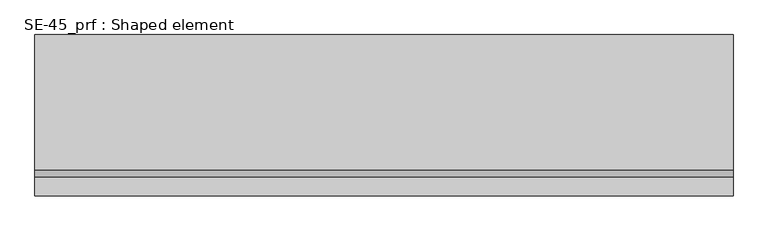
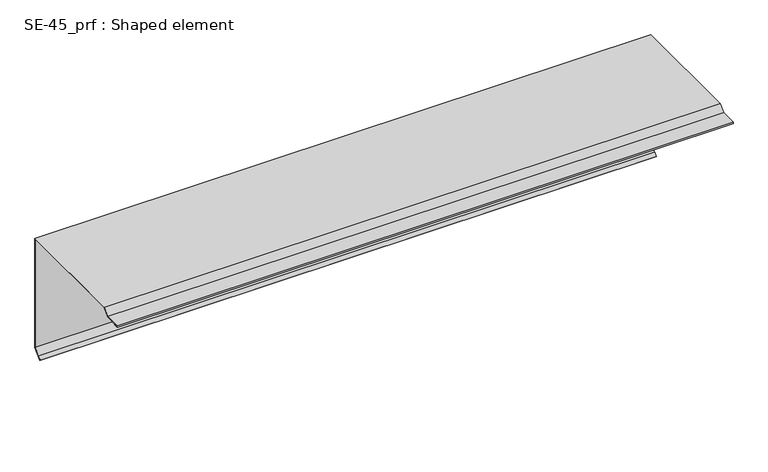
"""IFC4 building model written with IfcOpenShell, lengths in millimetres: proxy geometry, SE-45_prf : Shaped element."""

from ifc_helpers import new_model, si_unit, origin, place, context, project, spatial, faceted_brep, source, transform, mapped, element, save


def se_45_prf_shaped_element_1f615df6(model_context):
    return source(origin(), model_context, "Body", "Brep", [
        faceted_brep([(0.0, -300.0, 8.921814), (0.0, -300.0, 5.921814), (1500.0, -300.0, 5.921814), (1500.0, -300.0, 8.921814), (0.0, -260.0, 8.921814), (1500.0, -260.0, 8.921814), (0.0, -245.1507576, 23.7710564), (1500.0, -245.1507576, 23.7710564), (0.0, 47.0, 23.7710564), (1500.0, 47.0, 23.7710564), (0.0, 47.0, -256.2289436), (0.0, 47.0, 0.0), (1500.0, 47.0, 0.0), (1500.0, 47.0, -256.2289436), (0.0, 25.7867966, -277.442147), (1500.0, 25.7867966, -277.442147), (0.0, 23.6654762, -275.3208267), (1500.0, 23.6654762, -275.3208267), (0.0, 30.736544, -268.2497589), (1500.0, 30.736544, -268.2497589), (0.0, 31.4436508, -268.9568657), (1500.0, 31.4436508, -268.9568657), (0.0, 25.0796898, -275.3208267), (1500.0, 25.0796898, -275.3208267), (0.0, 25.7867966, -276.0279335), (1500.0, 25.7867966, -276.0279335), (0.0, 46.0, -255.81473), (1500.0, 46.0, -255.81473), (0.0, 46.0, 0.0), (1500.0, 46.0, 0.0), (1500.0, 46.0, 22.7710564), (0.0, 46.0, 22.7710564), (0.0, -244.736544, 22.7710564), (1500.0, -244.736544, 22.7710564), (0.0, -259.5857864, 7.921814), (1500.0, -259.5857864, 7.921814), (0.0, -299.0, 7.921814), (1500.0, -299.0, 7.921814), (0.0, -299.0, 6.921814), (1500.0, -299.0, 6.921814), (0.0, -290.0, 6.921814), (1500.0, -290.0, 6.921814), (0.0, -290.0, 5.921814), (1500.0, -290.0, 5.921814)], [[[0, 1, 2, 3]], [[4, 0, 3, 5]], [[6, 4, 5, 7]], [[8, 6, 7, 9]], [[10, 11, 8, 9, 12, 13]], [[14, 10, 13, 15]], [[16, 14, 15, 17]], [[18, 16, 17, 19]], [[20, 18, 19, 21]], [[22, 20, 21, 23]], [[24, 22, 23, 25]], [[26, 24, 25, 27]], [[28, 26, 27, 29, 30, 31]], [[32, 31, 30, 33]], [[34, 32, 33, 35]], [[36, 34, 35, 37]], [[38, 36, 37, 39]], [[40, 38, 39, 41]], [[42, 40, 41, 43]], [[1, 42, 43, 2]], [[28, 11, 10, 14, 16, 18, 20, 22, 24, 26]], [[11, 28, 31, 32, 34, 36, 38, 40, 42, 1, 0, 4, 6, 8]], [[12, 29, 27, 25, 23, 21, 19, 17, 15, 13]], [[29, 12, 9, 7, 5, 3, 2, 43, 41, 39, 37, 35, 33, 30]]]),
    ])


if __name__ == "__main__":
    model = new_model("IFC4")
    model_context = context("Model", 3, world=origin())
    ifc_project = project(units=[si_unit("LENGTHUNIT", "METRE", prefix="MILLI")], contexts=[model_context])
    site = spatial("IfcSite", under=ifc_project)
    building = spatial("IfcBuilding", under=site)
    placement = place(None, origin())
    se_45_prf_shaped_element_shape = se_45_prf_shaped_element_1f615df6(model_context)
    element("IfcBuildingElementProxy", 1, Name="SE-45_prf : Shaped element", ObjectType="SE-45_prf : Shaped element", at=placement, inside=building, context=model_context, shape_type="MappedRepresentation", body=[
        mapped(se_45_prf_shaped_element_shape, transform((0.0, 0.0, 0.0), x_axis=(1.0, 0.0, 0.0), y_axis=(0.0, 1.0, 0.0), z_axis=(0.0, 0.0, 1.0))),
    ])
    save(model, "model.ifc")
